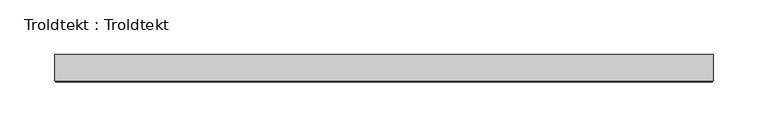
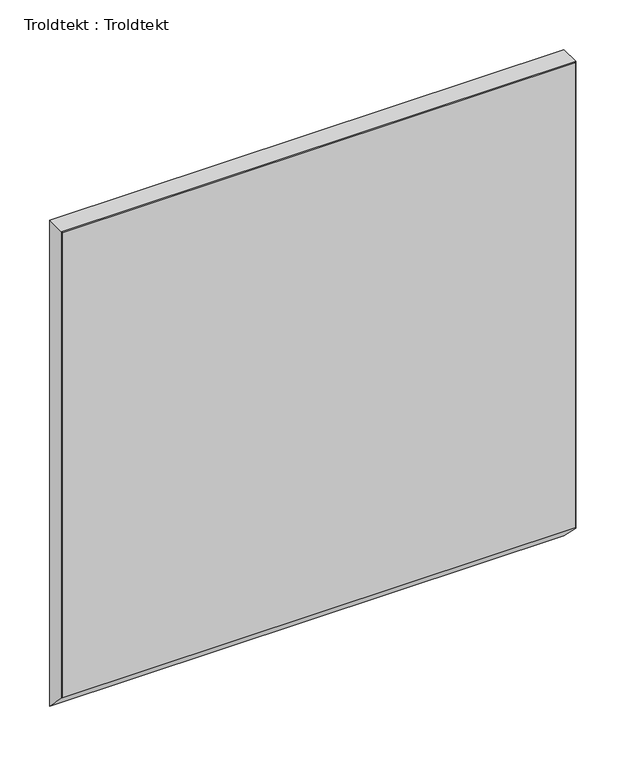
"""IFC4 building model written with IfcOpenShell, lengths in millimetres: proxy geometry, Troldtekt : Troldtekt."""

from ifc_helpers import new_model, si_unit, origin, place, context, project, spatial, faceted_brep, source, transform, mapped, element, save


def troldtekt_troldtekt_2eaa0cd8(model_context):
    return source(origin(), model_context, "Body", "Brep", [
        faceted_brep([(-300.0, 12.5, 600.0000002), (-300.0, -11.495044, 600.0000002), (300.0, -11.495044, 600.0000002), (300.0, 12.5, 600.0000002), (-298.995044, -12.5, 598.9950442), (-298.995044, -12.5, 26.0), (298.995044, -12.5, 26.0), (298.995044, -12.5, 598.9950442), (-300.0, 12.5, 1.0), (-300.0, -11.495044, 24.995044), (300.0, 12.5, 1.0), (300.0, -11.495044, 24.995044)], [[[0, 1, 2, 3]], [[4, 5, 6, 7]], [[0, 8, 9, 1]], [[3, 10, 8, 0]], [[2, 11, 10, 3]], [[1, 9, 5, 4]], [[7, 6, 11, 2]], [[2, 1, 4, 7]], [[5, 9, 8, 10, 11, 6]]]),
    ])


if __name__ == "__main__":
    model = new_model("IFC4")
    model_context = context("Model", 3, world=origin())
    ifc_project = project(units=[si_unit("LENGTHUNIT", "METRE", prefix="MILLI")], contexts=[model_context])
    site = spatial("IfcSite", under=ifc_project)
    building = spatial("IfcBuilding", under=site)
    placement = place(None, origin())
    troldtekt_troldtekt_shape = troldtekt_troldtekt_2eaa0cd8(model_context)
    element("IfcBuildingElementProxy", 1, Name="Troldtekt : Troldtekt", ObjectType="Troldtekt : Troldtekt", at=placement, inside=building, context=model_context, shape_type="MappedRepresentation", body=[
        mapped(troldtekt_troldtekt_shape, transform((0.0, 0.0, 0.0), x_axis=(1.0, 0.0, 0.0), y_axis=(0.0, 1.0, 0.0), z_axis=(0.0, 0.0, 1.0))),
    ])
    save(model, "model.ifc")
